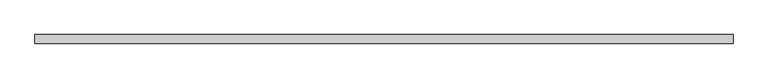
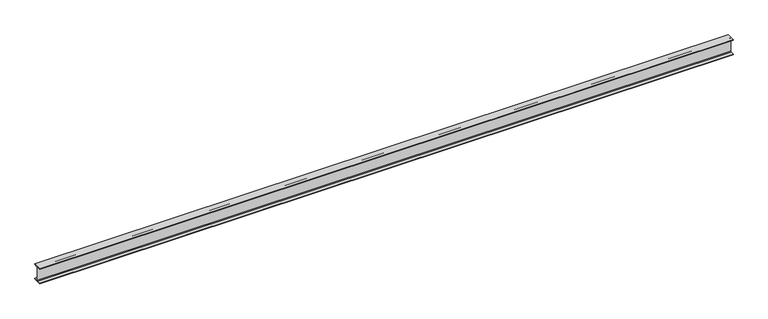
"""IFC4 building model written with IfcOpenShell, lengths in millimetres: beam geometry."""

from ifc_helpers import new_model, si_unit, point, frame, frame_2d, origin, place, context, project, spatial, polyline, circle_curve, trimmed, segment, composite_curve, outline, extrude, source, transform, mapped, element, save


def beam_5ee0d7c2(model_context):
    return source(origin(), model_context, "Body", "SweptSolid", [
        extrude(outline(composite_curve([segment(polyline([(-82.5, -141.8), (-14.45, -141.8)]), True, "CONTINUOUS"), segment(trimmed(circle_curve(frame_2d((-14.45, -130.4)), 11.4), [point((-14.45, -141.8))], [point((-3.05, -130.4))], True, "CARTESIAN"), True, "CONTINUOUS"), segment(polyline([(-3.05, -130.4), (-3.05, 130.4)]), True, "CONTINUOUS"), segment(trimmed(circle_curve(frame_2d((-14.45, 130.4)), 11.4), [point((-3.05, 130.4))], [point((-14.45, 141.8))], True, "CARTESIAN"), True, "CONTINUOUS"), segment(polyline([(-14.45, 141.8), (-82.5, 141.8), (-82.5, 152.0), (82.5, 152.0), (82.5, 141.8), (14.45, 141.8)]), True, "CONTINUOUS"), segment(trimmed(circle_curve(frame_2d((14.45, 130.4)), 11.4), [point((14.45, 141.8))], [point((3.05, 130.4))], True, "CARTESIAN"), True, "CONTINUOUS"), segment(polyline([(3.05, 130.4), (3.05, -130.4)]), True, "CONTINUOUS"), segment(trimmed(circle_curve(frame_2d((14.45, -130.4)), 11.4), [point((3.05, -130.4))], [point((14.45, -141.8))], True, "CARTESIAN"), True, "CONTINUOUS"), segment(polyline([(14.45, -141.8), (82.5, -141.8), (82.5, -152.0), (-82.5, -152.0), (-82.5, -141.8)]), True, "CONTINUOUS")], self_intersect=False)), frame((-6665.0, 0.0, 0.0), z_axis=(1.0, 0.0, 0.0), x_axis=(0.0, 1.0, 0.0)), (0.0, 0.0, 1.0), 13404.0),
    ])


if __name__ == "__main__":
    model = new_model("IFC4")
    model_context = context("Model", 3, world=origin())
    ifc_project = project(units=[si_unit("LENGTHUNIT", "METRE", prefix="MILLI")], contexts=[model_context])
    site = spatial("IfcSite", under=ifc_project)
    building = spatial("IfcBuilding", under=site)
    placement = place(None, origin())
    beam_shape = beam_5ee0d7c2(model_context)
    element("IfcBeam", 1, at=placement, inside=building, context=model_context, shape_type="MappedRepresentation", body=[
        mapped(beam_shape, transform((0.0, 0.0, 0.0), x_axis=(1.0, 0.0, 0.0), y_axis=(0.0, 1.0, 0.0), z_axis=(0.0, 0.0, 1.0))),
    ])
    save(model, "model.ifc")
